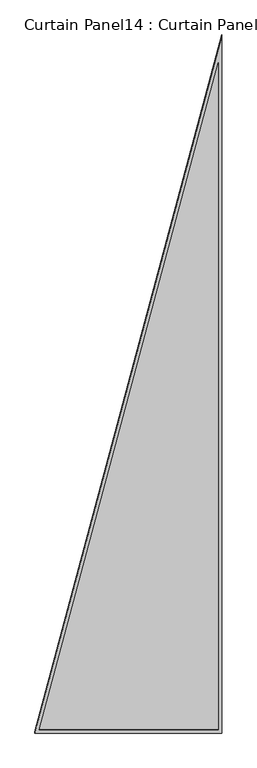
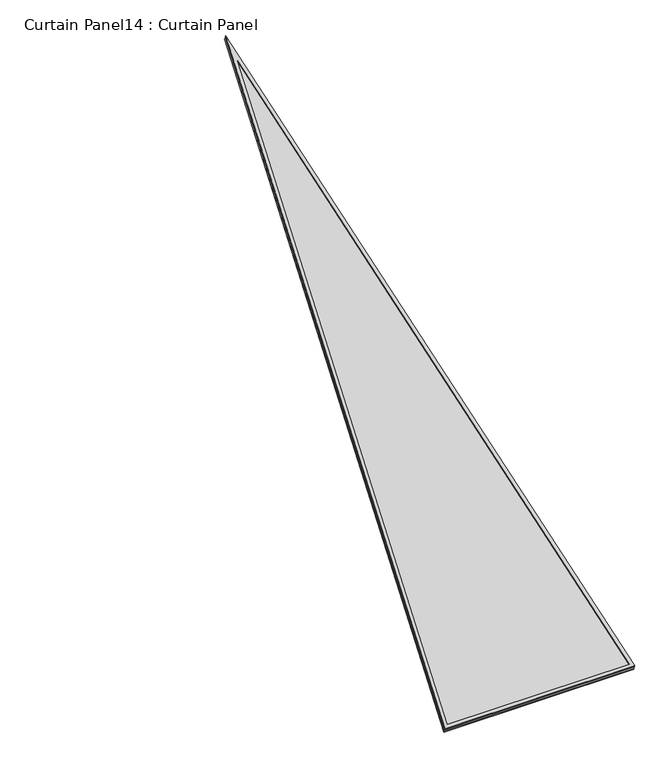
"""IFC4 building model written with IfcOpenShell, lengths in millimetres: plate geometry, Curtain Panel14 : Curtain Panel."""

from ifc_helpers import new_model, si_unit, frame, origin, place, context, project, spatial, polyline, outline, extrude, source, transform, mapped, element, save


def curtain_panel14_curtain_panel_c5dda42d(model_context):
    return source(origin(), model_context, "Body", "SweptSolid", [
        extrude(outline(polyline([(895.5635333, 0.0), (0.0, -3522.9801156), (0.0, 0.0), (895.5635333, 0.0)]), holes=[polyline([(874.1604676, -16.6429897), (16.6429897, -16.6429897), (16.6429897, -3389.9570103), (874.1604676, -16.6429897)])]), frame((11413.7538526, -5318.8153765, 898.7405778), z_axis=(0.0, -0.316145823973828, 0.9487106081329066), x_axis=(-1.0, 0.0, 0.0)), (0.0, 0.0, 1.0), 4.7763822),
        extrude(outline(polyline([(895.5635333, 0.0), (0.0, -3522.9801155), (0.0, 0.0), (895.5635333, 0.0)]), holes=[polyline([(882.3266367, -10.2929897), (10.2929897, -10.2929897), (10.2929897, -3440.7109153), (882.3266367, -10.2929897)])]), frame((11413.7538526, -5313.2292038, 881.9772337), z_axis=(0.0, -0.3161458239738058, 0.948710608132914), x_axis=(-1.0, 0.0, 0.0)), (0.0, 0.0, 1.0), 4.7436262),
        extrude(outline(polyline([(28.1660521, 0.0), (923.9258985, 0.0), (28.1660521, -3523.7523744), (28.1660521, 0.0)])), frame((11442.0057805, -5314.8103527, 886.4504129), z_axis=(0.0, -0.3161458239738058, 0.948710608132914), x_axis=(-1.0, 0.0, 0.0)), (0.0, 0.0, 1.0), 12.9259813),
    ])


if __name__ == "__main__":
    model = new_model("IFC4")
    model_context = context("Model", 3, world=origin())
    ifc_project = project(units=[si_unit("LENGTHUNIT", "METRE", prefix="MILLI")], contexts=[model_context])
    site = spatial("IfcSite", under=ifc_project)
    building = spatial("IfcBuilding", under=site)
    placement = place(None, origin())
    curtain_panel14_curtain_panel_shape = curtain_panel14_curtain_panel_c5dda42d(model_context)
    element("IfcPlate", 1, ObjectType="Curtain Panel14 : Curtain Panel", at=placement, inside=building, context=model_context, shape_type="MappedRepresentation", body=[
        mapped(curtain_panel14_curtain_panel_shape, transform((0.0, 0.0, 0.0), x_axis=(1.0, 0.0, 0.0), y_axis=(0.0, 1.0, 0.0), z_axis=(0.0, 0.0, 1.0))),
    ])
    save(model, "model.ifc")
